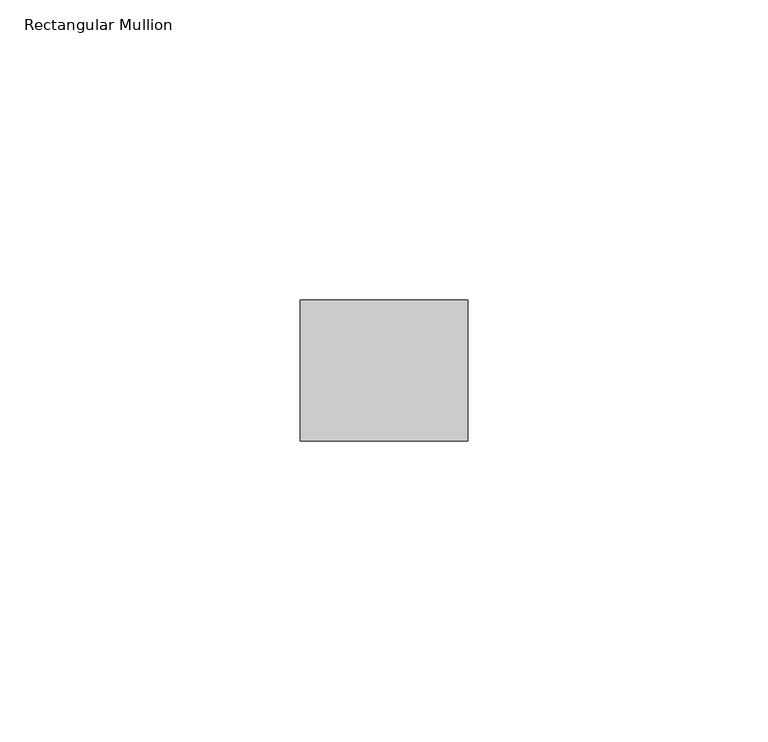
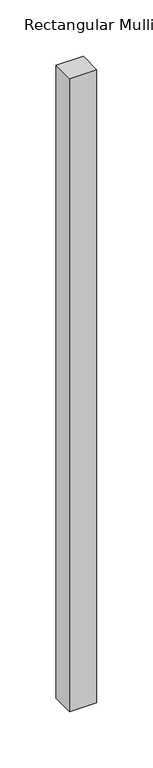
"""IFC4 building model written with IfcOpenShell, lengths in millimetres: member geometry, Rectangular Mullion."""

from ifc_helpers import new_model, si_unit, frame, origin, place, context, project, spatial, polyline, outline, extrude, source, transform, mapped, element, save


def rectangular_mullion_70c14f11(model_context):
    return source(origin(), model_context, "Body", "SweptSolid", [
        extrude(outline(polyline([(0.0, -11.7474999), (-27.94, -11.7474999), (-27.94, 11.7474999), (0.0, 11.7474999), (0.0, -11.7474999)])), frame((0.0, 0.0, -684.7741993), z_axis=(0.0, 0.0, 1.0), x_axis=(1.0, 0.0, 0.0)), (0.0, 0.0, 1.0), 684.7741993),
    ])


if __name__ == "__main__":
    model = new_model("IFC4")
    model_context = context("Model", 3, world=origin())
    ifc_project = project(units=[si_unit("LENGTHUNIT", "METRE", prefix="MILLI")], contexts=[model_context])
    site = spatial("IfcSite", under=ifc_project)
    building = spatial("IfcBuilding", under=site)
    placement = place(None, origin())
    rectangular_mullion_shape = rectangular_mullion_70c14f11(model_context)
    element("IfcMember", 1, ObjectType="Rectangular Mullion", at=placement, inside=building, context=model_context, shape_type="MappedRepresentation", body=[
        mapped(rectangular_mullion_shape, transform((0.0, 0.0, 0.0), x_axis=(1.0, 0.0, 0.0), y_axis=(0.0, 1.0, 0.0), z_axis=(0.0, 0.0, 1.0))),
    ])
    save(model, "model.ifc")
